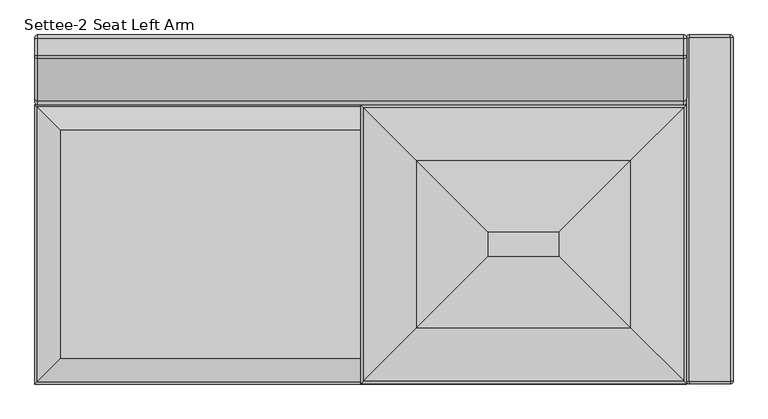
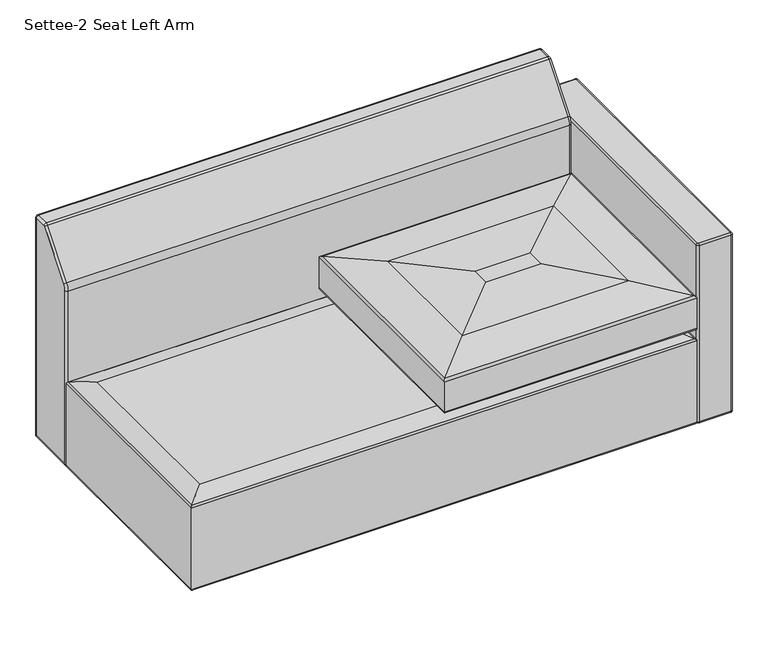
"""IFC4 building model written with IfcOpenShell, lengths in millimetres: furniture geometry, Settee-2 Seat Left Arm."""

from ifc_helpers import new_model, si_unit, point, frame, origin, place, context, project, spatial, circle_curve, ellipse_curve, trimmed, source, transform, mapped, element, save
from ifc_brep_helpers import plane_surface, cylinder_surface, revolved_surface, advanced_brep


def settee_2_seat_left_arm_e11b37b8(model_context):
    return source(origin(), model_context, "Body", "AdvancedBrep", [
        advanced_brep(
        [(0.0, -762.0, 63.5), (6.35, -755.65, 57.15), (1416.05, -755.65, 57.15), (1422.4, -762.0, 63.5), (1422.4, -762.0, 305.4352053), (0.0, -762.0, 305.4352053), (1418.744765, -758.344765, 311.1850523), (3.655235, -758.344765, 311.1850523), (1367.4981467, -707.0981467, 323.8599964), (54.9018533, -707.0981467, 323.8599964), (1416.05, -158.75, 57.15), (1422.4, -152.4, 63.5), (1422.4, -152.4, 305.4352053), (1418.744765, -156.055235, 311.1850523), (1367.4981467, -207.3018533, 323.8599964), (6.35, -158.75, 57.15), (0.0, -152.4, 63.5), (0.0, -152.4, 305.4352053), (3.655235, -156.055235, 311.1850523), (54.9018533, -207.3018533, 323.8599964)],
        [
            (0, 1, ellipse_curve(frame((6.35, -755.65, 63.5), z_axis=(0.7071067811865475, -0.7071067811865475, 0.0), x_axis=(-0.7071067811865476, -0.7071067811865474, 0.0)), 8.9802561, 6.35)),
            (1, 2),
            (2, 3, ellipse_curve(frame((1416.05, -755.65, 63.5), z_axis=(-0.7071067811865475, -0.7071067811865475, 0.0), x_axis=(-0.7071067811865476, 0.7071067811865474, 0.0)), 8.9802561, 6.35)),
            (3, 0),
            (3, 4),
            (4, 5),
            (5, 0),
            (4, 6, ellipse_curve(frame((1416.05, -755.65, 305.4352053), z_axis=(-0.7071067811865475, -0.7071067811865475, 0.0), x_axis=(-0.7071067811865476, 0.7071067811865474, 0.0)), 8.9802561, 6.35)),
            (6, 7),
            (7, 5, ellipse_curve(frame((6.35, -755.65, 305.4352053), z_axis=(0.7071067811865475, -0.7071067811865475, 0.0), x_axis=(-0.7071067811865476, -0.7071067811865474, 0.0)), 8.9802561, 6.35)),
            (6, 8, ellipse_curve(frame((1361.1694749, -700.7694749, 188.3360783), z_axis=(-0.7071067811865475, -0.7071067811865475, 0.0), x_axis=(-0.7071067811865476, 0.7071067811865474, 0.0)), 191.8686241, 135.6716052)),
            (8, 9),
            (9, 7, ellipse_curve(frame((61.2305251, -700.7694749, 188.3360783), z_axis=(0.7071067811865475, -0.7071067811865475, 0.0), x_axis=(-0.7071067811865476, -0.7071067811865474, 0.0)), 191.8686241, 135.6716052)),
            (2, 10),
            (10, 11, ellipse_curve(frame((1416.05, -158.75, 63.5), z_axis=(0.7071067811865475, -0.7071067811865475, 0.0), x_axis=(-0.7071067811865474, -0.7071067811865476, 0.0)), 8.9802561, 6.35)),
            (11, 3),
            (11, 12),
            (12, 4),
            (12, 13, ellipse_curve(frame((1416.05, -158.75, 305.4352053), z_axis=(0.7071067811865475, -0.7071067811865475, 0.0), x_axis=(-0.7071067811865474, -0.7071067811865476, 0.0)), 8.9802561, 6.35)),
            (13, 6),
            (13, 14, ellipse_curve(frame((1361.1694749, -213.6305251, 188.3360783), z_axis=(0.7071067811865475, -0.7071067811865475, 0.0), x_axis=(-0.7071067811865474, -0.7071067811865476, 0.0)), 191.8686241, 135.6716052)),
            (14, 8),
            (10, 15),
            (15, 16, ellipse_curve(frame((6.35, -158.75, 63.5), z_axis=(0.7071067811865475, 0.7071067811865475, 0.0), x_axis=(0.7071067811865476, -0.7071067811865474, 0.0)), 8.9802561, 6.35)),
            (16, 11),
            (16, 17),
            (17, 12),
            (17, 18, ellipse_curve(frame((6.35, -158.75, 305.4352053), z_axis=(0.7071067811865475, 0.7071067811865475, 0.0), x_axis=(0.7071067811865476, -0.7071067811865474, 0.0)), 8.9802561, 6.35)),
            (18, 13),
            (18, 19, ellipse_curve(frame((61.2305251, -213.6305251, 188.3360783), z_axis=(0.7071067811865475, 0.7071067811865475, 0.0), x_axis=(0.7071067811865476, -0.7071067811865474, 0.0)), 191.8686241, 135.6716052)),
            (19, 14),
            (1, 15),
            (0, 16),
            (5, 17),
            (7, 18),
            (9, 19),
        ],
        [
            cylinder_surface(frame((0.0, -755.65, 63.5), z_axis=(-1.0, 0.0, 0.0), x_axis=(0.0, 1.0, 0.0)), 6.35),
            plane_surface(frame((0.0, -762.0, 63.5), z_axis=(0.0, -1.0, 0.0), x_axis=(1.0, 0.0, 0.0))),
            cylinder_surface(frame((0.0, -755.65, 305.4352053), z_axis=(-1.0, 0.0, 0.0), x_axis=(0.0, 1.0, 0.0)), 6.35),
            cylinder_surface(frame((0.0, -700.7694749, 188.3360783), z_axis=(-1.0, 0.0, 0.0), x_axis=(0.0, 1.0, 0.0)), 135.6716052),
            cylinder_surface(frame((1416.05, -762.0, 63.5), z_axis=(0.0, -1.0, 0.0), x_axis=(-1.0, 0.0, 0.0)), 6.35),
            plane_surface(frame((1422.4, -762.0, 63.5), z_axis=(1.0, 0.0, 0.0), x_axis=(0.0, 1.0, 0.0))),
            cylinder_surface(frame((1416.05, -762.0, 305.4352053), z_axis=(0.0, -1.0, 0.0), x_axis=(-1.0, 0.0, 0.0)), 6.35),
            cylinder_surface(frame((1361.1694749, -762.0, 188.3360783), z_axis=(0.0, -1.0, 0.0), x_axis=(-1.0, 0.0, 0.0)), 135.6716052),
            cylinder_surface(frame((1422.4, -158.75, 63.5), z_axis=(1.0, 0.0, 0.0), x_axis=(0.0, -1.0, 0.0)), 6.35),
            plane_surface(frame((1422.4, -152.4, 63.5), z_axis=(0.0, 1.0, 0.0), x_axis=(-1.0, 0.0, 0.0))),
            cylinder_surface(frame((1422.4, -158.75, 305.4352053), z_axis=(1.0, 0.0, 0.0), x_axis=(0.0, -1.0, 0.0)), 6.35),
            cylinder_surface(frame((1422.4, -213.6305251, 188.3360783), z_axis=(1.0, 0.0, 0.0), x_axis=(0.0, -1.0, 0.0)), 135.6716052),
            plane_surface(frame((279.4, -431.8, 57.15), z_axis=(0.0, 0.0, -1.0), x_axis=(0.0, -1.0, 0.0))),
            cylinder_surface(frame((6.35, -152.4, 63.5), z_axis=(0.0, 1.0, 0.0), x_axis=(1.0, 0.0, 0.0)), 6.35),
            plane_surface(frame((0.0, -152.4, 63.5), z_axis=(-1.0, 0.0, 0.0), x_axis=(0.0, -1.0, 0.0))),
            cylinder_surface(frame((6.35, -152.4, 305.4352053), z_axis=(0.0, 1.0, 0.0), x_axis=(1.0, 0.0, 0.0)), 6.35),
            cylinder_surface(frame((61.2305251, -152.4, 188.3360783), z_axis=(0.0, 1.0, 0.0), x_axis=(1.0, 0.0, 0.0)), 135.6716052),
            plane_surface(frame((54.9018533, -207.3018533, 323.8599964), z_axis=(0.0, 0.0, 1.0), x_axis=(0.0, -1.0, 0.0))),
        ],
        [
            (0, [[1, 2, 3, 4]]),
            (1, [[-4, 5, 6, 7]]),
            (2, [[-6, 8, 9, 10]]),
            (3, [[-9, 11, 12, 13]]),
            (4, [[-3, 14, 15, 16]]),
            (5, [[-5, -16, 17, 18]]),
            (6, [[-8, -18, 19, 20]]),
            (7, [[-11, -20, 21, 22]]),
            (8, [[-15, 23, 24, 25]]),
            (9, [[-17, -25, 26, 27]]),
            (10, [[-19, -27, 28, 29]]),
            (11, [[-21, -29, 30, 31]]),
            (12, [[-2, 32, -23, -14]]),
            (13, [[-1, 33, -24, -32]]),
            (14, [[-7, 34, -26, -33]]),
            (15, [[-10, 35, -28, -34]]),
            (16, [[-13, 36, -30, -35]]),
            (17, [[-12, -22, -31, -36]]),
        ],
    ),
        advanced_brep(
        [(1422.4, -6.35, 61.722), (1428.75, 0.0, 61.722), (1428.75, -4.572, 57.15), (1426.972, -6.35, 57.15), (1422.4, -6.35, 585.8632541), (1428.75, 0.0, 585.8632541), (1426.972, -6.35, 590.4352541), (1428.75, -4.572, 590.4352541), (1426.972, -755.526553, 57.15), (1422.4, -755.526553, 61.722), (1422.4, -755.526553, 585.8632541), (1426.972, -755.526553, 590.4352541), (1428.75, -757.304553, 57.15), (1428.75, -761.876553, 61.722), (1428.75, -761.876553, 585.8632541), (1428.75, -757.304553, 590.4352541), (1517.65, -757.304553, 57.15), (1517.65, -761.876553, 61.722), (1517.65, -761.876553, 585.8632541), (1517.65, -757.304553, 590.4352541), (1519.428, -755.526553, 57.15), (1524.0, -755.526553, 61.722), (1524.0, -755.526553, 585.8632541), (1519.428, -755.526553, 590.4352541), (1519.428, -6.35, 57.15), (1524.0, -6.35, 61.722), (1524.0, -6.35, 585.8632541), (1519.428, -6.35, 590.4352541), (1517.65, -4.572, 57.15), (1517.65, 0.0, 61.722), (1517.65, 0.0, 585.8632541), (1517.65, -4.572, 590.4352541)],
        [
            (0, 1, circle_curve(frame((1428.75, -6.35, 61.722), z_axis=(0.0, 0.0, -1.0), x_axis=(0.0, 1.0, 0.0)), 6.35)),
            (1, 2, circle_curve(frame((1428.75, -4.572, 61.722), z_axis=(-1.0, 0.0, 0.0), x_axis=(0.0, -1.0, 0.0)), 4.572)),
            (2, 3, circle_curve(frame((1428.75, -6.35, 57.15), z_axis=(0.0, 0.0, 1.0), x_axis=(0.0, 1.0, 0.0)), 1.778)),
            (3, 0, circle_curve(frame((1426.972, -6.35, 61.722), z_axis=(0.0, 1.0, 0.0), x_axis=(1.0, 0.0, 0.0)), 4.572)),
            (0, 4),
            (4, 5, circle_curve(frame((1428.75, -6.35, 585.8632541), z_axis=(0.0, 0.0, -1.0), x_axis=(0.0, 1.0, 0.0)), 6.35)),
            (5, 1),
            (4, 6, circle_curve(frame((1426.972, -6.35, 585.8632541), z_axis=(0.0, 1.0, 0.0), x_axis=(1.0, 0.0, 0.0)), 4.572)),
            (6, 7, circle_curve(frame((1428.75, -6.35, 590.4352541), z_axis=(0.0, 0.0, -1.0), x_axis=(0.0, 1.0, 0.0)), 1.778)),
            (7, 5, circle_curve(frame((1428.75, -4.572, 585.8632541), z_axis=(-1.0, 0.0, 0.0), x_axis=(0.0, -1.0, 0.0)), 4.572)),
            (3, 8),
            (8, 9, circle_curve(frame((1426.972, -755.526553, 61.722), z_axis=(0.0, 1.0, 0.0), x_axis=(1.0, 0.0, 0.0)), 4.572)),
            (9, 0),
            (9, 10),
            (10, 4),
            (10, 11, circle_curve(frame((1426.972, -755.526553, 585.8632541), z_axis=(0.0, 1.0, 0.0), x_axis=(1.0, 0.0, 0.0)), 4.572)),
            (11, 6),
            (8, 12, circle_curve(frame((1428.75, -755.526553, 57.15), z_axis=(0.0, 0.0, 1.0), x_axis=(-1.0, 0.0, 0.0)), 1.778)),
            (12, 13, circle_curve(frame((1428.75, -757.304553, 61.722), z_axis=(-1.0, 0.0, 0.0), x_axis=(0.0, 1.0, 0.0)), 4.572)),
            (13, 9, circle_curve(frame((1428.75, -755.526553, 61.722), z_axis=(0.0, 0.0, -1.0), x_axis=(-1.0, 0.0, 0.0)), 6.35)),
            (13, 14),
            (14, 10, circle_curve(frame((1428.75, -755.526553, 585.8632541), z_axis=(0.0, 0.0, -1.0), x_axis=(-1.0, 0.0, 0.0)), 6.35)),
            (14, 15, circle_curve(frame((1428.75, -757.304553, 585.8632541), z_axis=(-1.0, 0.0, 0.0), x_axis=(0.0, 1.0, 0.0)), 4.572)),
            (15, 11, circle_curve(frame((1428.75, -755.526553, 590.4352541), z_axis=(0.0, 0.0, -1.0), x_axis=(-1.0, 0.0, 0.0)), 1.778)),
            (12, 16),
            (16, 17, circle_curve(frame((1517.65, -757.304553, 61.722), z_axis=(-1.0, 0.0, 0.0), x_axis=(0.0, 1.0, 0.0)), 4.572)),
            (17, 13),
            (17, 18),
            (18, 14),
            (18, 19, circle_curve(frame((1517.65, -757.304553, 585.8632541), z_axis=(-1.0, 0.0, 0.0), x_axis=(0.0, 1.0, 0.0)), 4.572)),
            (19, 15),
            (16, 20, circle_curve(frame((1517.65, -755.526553, 57.15), z_axis=(0.0, 0.0, 1.0), x_axis=(0.0, -1.0, 0.0)), 1.778)),
            (20, 21, circle_curve(frame((1519.428, -755.526553, 61.722), z_axis=(0.0, -1.0, 0.0), x_axis=(-1.0, 0.0, 0.0)), 4.572)),
            (21, 17, circle_curve(frame((1517.65, -755.526553, 61.722), z_axis=(0.0, 0.0, -1.0), x_axis=(0.0, -1.0, 0.0)), 6.35)),
            (21, 22),
            (22, 18, circle_curve(frame((1517.65, -755.526553, 585.8632541), z_axis=(0.0, 0.0, -1.0), x_axis=(0.0, -1.0, 0.0)), 6.35)),
            (22, 23, circle_curve(frame((1519.428, -755.526553, 585.8632541), z_axis=(0.0, -1.0, 0.0), x_axis=(-1.0, 0.0, 0.0)), 4.572)),
            (23, 19, circle_curve(frame((1517.65, -755.526553, 590.4352541), z_axis=(0.0, 0.0, -1.0), x_axis=(0.0, -1.0, 0.0)), 1.778)),
            (20, 24),
            (24, 25, circle_curve(frame((1519.428, -6.35, 61.722), z_axis=(0.0, -1.0, 0.0), x_axis=(-1.0, 0.0, 0.0)), 4.572)),
            (25, 21),
            (25, 26),
            (26, 22),
            (26, 27, circle_curve(frame((1519.428, -6.35, 585.8632541), z_axis=(0.0, -1.0, 0.0), x_axis=(-1.0, 0.0, 0.0)), 4.572)),
            (27, 23),
            (24, 28, circle_curve(frame((1517.65, -6.35, 57.15), z_axis=(0.0, 0.0, 1.0), x_axis=(1.0, 0.0, 0.0)), 1.778)),
            (28, 29, circle_curve(frame((1517.65, -4.572, 61.722), z_axis=(1.0, 0.0, 0.0), x_axis=(0.0, -1.0, 0.0)), 4.572)),
            (29, 25, circle_curve(frame((1517.65, -6.35, 61.722), z_axis=(0.0, 0.0, -1.0), x_axis=(1.0, 0.0, 0.0)), 6.35)),
            (29, 30),
            (30, 26, circle_curve(frame((1517.65, -6.35, 585.8632541), z_axis=(0.0, 0.0, -1.0), x_axis=(1.0, 0.0, 0.0)), 6.35)),
            (30, 31, circle_curve(frame((1517.65, -4.572, 585.8632541), z_axis=(1.0, 0.0, 0.0), x_axis=(0.0, -1.0, 0.0)), 4.572)),
            (31, 27, circle_curve(frame((1517.65, -6.35, 590.4352541), z_axis=(0.0, 0.0, -1.0), x_axis=(1.0, 0.0, 0.0)), 1.778)),
            (2, 28),
            (1, 29),
            (5, 30),
            (7, 31),
        ],
        [
            revolved_surface(trimmed(ellipse_curve(frame((1428.75, -4.572, 61.722), z_axis=(1.0, 0.0, 0.0), x_axis=(0.0, -1.0, 0.0)), 4.572, 4.572), [point((1428.75, -4.572, 57.15))], [point((1428.75, 0.0, 61.722))], True, "CARTESIAN"), (1428.75, -6.35, 0.0), (0.0, 0.0, 1.0)),
            cylinder_surface(frame((1428.75, -6.35, 0.0), z_axis=(0.0, 0.0, 1.0), x_axis=(0.0, 1.0, 0.0)), 6.35),
            revolved_surface(trimmed(ellipse_curve(frame((1428.75, -4.572, 585.8632541), z_axis=(1.0, 0.0, 0.0), x_axis=(0.0, -1.0, 0.0)), 4.572, 4.572), [point((1428.75, 0.0, 585.8632541))], [point((1428.75, -4.572, 590.4352541))], True, "CARTESIAN"), (1428.75, -6.35, 0.0), (0.0, 0.0, 1.0)),
            cylinder_surface(frame((1426.972, -6.35, 61.722), z_axis=(0.0, 1.0, 0.0), x_axis=(1.0, 0.0, 0.0)), 4.572),
            plane_surface(frame((1422.4, -6.35, 61.722), z_axis=(-1.0, 0.0, 0.0), x_axis=(0.0, -1.0, 0.0))),
            cylinder_surface(frame((1426.972, -6.35, 585.8632541), z_axis=(0.0, 1.0, 0.0), x_axis=(1.0, 0.0, 0.0)), 4.572),
            revolved_surface(trimmed(ellipse_curve(frame((1426.972, -755.526553, 61.722), z_axis=(0.0, 1.0, 0.0), x_axis=(1.0, 0.0, 0.0)), 4.572, 4.572), [point((1426.972, -755.526553, 57.15))], [point((1422.4, -755.526553, 61.722))], True, "CARTESIAN"), (1428.75, -755.526553, 0.0), (0.0, 0.0, 1.0)),
            cylinder_surface(frame((1428.75, -755.526553, 0.0), z_axis=(0.0, 0.0, 1.0), x_axis=(-1.0, 0.0, 0.0)), 6.35),
            revolved_surface(trimmed(ellipse_curve(frame((1426.972, -755.526553, 585.8632541), z_axis=(0.0, 1.0, 0.0), x_axis=(1.0, 0.0, 0.0)), 4.572, 4.572), [point((1422.4, -755.526553, 585.8632541))], [point((1426.972, -755.526553, 590.4352541))], True, "CARTESIAN"), (1428.75, -755.526553, 0.0), (0.0, 0.0, 1.0)),
            cylinder_surface(frame((1428.75, -757.304553, 61.722), z_axis=(-1.0, 0.0, 0.0), x_axis=(0.0, 1.0, 0.0)), 4.572),
            plane_surface(frame((1428.75, -761.876553, 61.722), z_axis=(0.0, -1.0, 0.0), x_axis=(1.0, 0.0, 0.0))),
            cylinder_surface(frame((1428.75, -757.304553, 585.8632541), z_axis=(-1.0, 0.0, 0.0), x_axis=(0.0, 1.0, 0.0)), 4.572),
            revolved_surface(trimmed(ellipse_curve(frame((1517.65, -757.304553, 61.722), z_axis=(-1.0, 0.0, 0.0), x_axis=(0.0, 1.0, 0.0)), 4.572, 4.572), [point((1517.65, -757.304553, 57.15))], [point((1517.65, -761.876553, 61.722))], True, "CARTESIAN"), (1517.65, -755.526553, 0.0), (0.0, 0.0, 1.0)),
            cylinder_surface(frame((1517.65, -755.526553, 0.0), z_axis=(0.0, 0.0, 1.0), x_axis=(0.0, -1.0, 0.0)), 6.35),
            revolved_surface(trimmed(ellipse_curve(frame((1517.65, -757.304553, 585.8632541), z_axis=(-1.0, 0.0, 0.0), x_axis=(0.0, 1.0, 0.0)), 4.572, 4.572), [point((1517.65, -761.876553, 585.8632541))], [point((1517.65, -757.304553, 590.4352541))], True, "CARTESIAN"), (1517.65, -755.526553, 0.0), (0.0, 0.0, 1.0)),
            cylinder_surface(frame((1519.428, -755.526553, 61.722), z_axis=(0.0, -1.0, 0.0), x_axis=(-1.0, 0.0, 0.0)), 4.572),
            plane_surface(frame((1524.0, -755.526553, 61.722), z_axis=(1.0, 0.0, 0.0), x_axis=(0.0, 1.0, 0.0))),
            cylinder_surface(frame((1519.428, -755.526553, 585.8632541), z_axis=(0.0, -1.0, 0.0), x_axis=(-1.0, 0.0, 0.0)), 4.572),
            revolved_surface(trimmed(ellipse_curve(frame((1519.428, -6.35, 61.722), z_axis=(0.0, -1.0, 0.0), x_axis=(-1.0, 0.0, 0.0)), 4.572, 4.572), [point((1519.428, -6.35, 57.15))], [point((1524.0, -6.35, 61.722))], True, "CARTESIAN"), (1517.65, -6.35, 0.0), (0.0, 0.0, 1.0)),
            cylinder_surface(frame((1517.65, -6.35, 0.0), z_axis=(0.0, 0.0, 1.0), x_axis=(1.0, 0.0, 0.0)), 6.35),
            revolved_surface(trimmed(ellipse_curve(frame((1519.428, -6.35, 585.8632541), z_axis=(0.0, -1.0, 0.0), x_axis=(-1.0, 0.0, 0.0)), 4.572, 4.572), [point((1524.0, -6.35, 585.8632541))], [point((1519.428, -6.35, 590.4352541))], True, "CARTESIAN"), (1517.65, -6.35, 0.0), (0.0, 0.0, 1.0)),
            plane_surface(frame((1517.65, -5.588, 57.15), z_axis=(0.0, 0.0, -1.0), x_axis=(-1.0, 0.0, 0.0))),
            cylinder_surface(frame((1517.65, -4.572, 61.722), z_axis=(1.0, 0.0, 0.0), x_axis=(0.0, -1.0, 0.0)), 4.572),
            plane_surface(frame((1517.65, 0.0, 61.722), z_axis=(0.0, 1.0, 0.0), x_axis=(-1.0, 0.0, 0.0))),
            cylinder_surface(frame((1517.65, -4.572, 585.8632541), z_axis=(1.0, 0.0, 0.0), x_axis=(0.0, -1.0, 0.0)), 4.572),
            plane_surface(frame((1517.65, -4.572, 590.4352541), z_axis=(0.0, 0.0, 1.0), x_axis=(-1.0, 0.0, 0.0))),
        ],
        [
            (0, [[1, 2, 3, 4]]),
            (1, [[-1, 5, 6, 7]]),
            (2, [[-6, 8, 9, 10]]),
            (3, [[-4, 11, 12, 13]]),
            (4, [[-5, -13, 14, 15]]),
            (5, [[-8, -15, 16, 17]]),
            (6, [[-12, 18, 19, 20]]),
            (7, [[-14, -20, 21, 22]]),
            (8, [[-16, -22, 23, 24]]),
            (9, [[-19, 25, 26, 27]]),
            (10, [[-21, -27, 28, 29]]),
            (11, [[-23, -29, 30, 31]]),
            (12, [[-26, 32, 33, 34]]),
            (13, [[-28, -34, 35, 36]]),
            (14, [[-30, -36, 37, 38]]),
            (15, [[-33, 39, 40, 41]]),
            (16, [[-35, -41, 42, 43]]),
            (17, [[-37, -43, 44, 45]]),
            (18, [[-40, 46, 47, 48]]),
            (19, [[-42, -48, 49, 50]]),
            (20, [[-44, -50, 51, 52]]),
            (21, [[-3, 53, -46, -39, -32, -25, -18, -11]]),
            (22, [[-2, 54, -47, -53]]),
            (23, [[-7, 55, -49, -54]]),
            (24, [[-10, 56, -51, -55]]),
            (25, [[-9, -17, -24, -31, -38, -45, -52, -56]]),
        ],
    ),
        advanced_brep(
        [(714.8589271, -758.2176259, 336.5161259), (766.1018533, -706.9746997, 323.8599964), (1367.4981467, -706.9746997, 323.8599964), (1418.7410729, -758.2176259, 336.5161259), (1422.4, -761.876553, 342.2677019), (711.2, -761.876553, 342.2677019), (1422.4, -761.876553, 431.6520878), (711.2, -761.876553, 431.6520878), (1416.8617206, -756.3382736, 437.949993), (716.7382794, -756.3382736, 437.949993), (1300.8501341, -640.326687, 452.9024246), (832.7498659, -640.326687, 452.9024246), (1144.999776, -484.476329, 462.9046302), (988.600224, -484.476329, 462.9046302), (1367.4981467, -207.3018533, 323.8599964), (1418.7410729, -156.0589271, 336.5161259), (1422.4, -152.4, 342.2677019), (1422.4, -152.4, 431.6520878), (1416.8617206, -157.9382794, 437.949993), (1300.8501341, -273.9498659, 452.9024246), (1144.999776, -429.800224, 462.9046302), (766.1018533, -207.3018533, 323.8599964), (714.8589271, -156.0589271, 336.5161259), (711.2, -152.4, 342.2677019), (711.2, -152.4, 431.6520878), (716.7382794, -157.9382794, 437.949993), (832.7498659, -273.9498659, 452.9024246), (988.600224, -429.800224, 462.9046302)],
        [
            (0, 1, ellipse_curve(frame((772.4373178, -700.6392352, 459.5772619), z_axis=(0.7071067811865475, -0.7071067811865475, 0.0), x_axis=(-0.7071067811865476, -0.7071067811865474, 0.0)), 192.1422091, 135.865059)),
            (1, 2),
            (2, 3, ellipse_curve(frame((1361.1626822, -700.6392352, 459.5772619), z_axis=(-0.7071067811865475, -0.7071067811865475, 0.0), x_axis=(-0.7071067811865476, 0.7071067811865474, 0.0)), 192.1422091, 135.865059)),
            (3, 0),
            (3, 4, ellipse_curve(frame((1416.05, -755.526553, 342.2677019), z_axis=(-0.7071067811865475, -0.7071067811865475, 0.0), x_axis=(-0.7071067811865476, 0.7071067811865474, 0.0)), 8.9802561, 6.35)),
            (4, 5),
            (5, 0, ellipse_curve(frame((717.55, -755.526553, 342.2677019), z_axis=(0.7071067811865475, -0.7071067811865475, 0.0), x_axis=(-0.7071067811865476, -0.7071067811865474, 0.0)), 8.9802561, 6.35)),
            (4, 6),
            (6, 7),
            (7, 5),
            (6, 8, ellipse_curve(frame((1416.05, -755.526553, 431.6520878), z_axis=(-0.7071067811865475, -0.7071067811865475, 0.0), x_axis=(-0.7071067811865476, 0.7071067811865474, 0.0)), 8.9802561, 6.35)),
            (8, 9),
            (9, 7, ellipse_curve(frame((717.55, -755.526553, 431.6520878), z_axis=(0.7071067811865475, -0.7071067811865475, 0.0), x_axis=(-0.7071067811865476, -0.7071067811865474, 0.0)), 8.9802561, 6.35)),
            (8, 10),
            (10, 11),
            (11, 9),
            (10, 12, ellipse_curve(frame((1144.999776, -484.476329, -756.2953698), z_axis=(-0.7071067811865475, -0.7071067811865475, 0.0), x_axis=(-0.7071067811865476, 0.7071067811865474, 0.0)), 1724.2091752, 1219.2)),
            (12, 13),
            (13, 11, ellipse_curve(frame((988.600224, -484.476329, -756.2953698), z_axis=(0.7071067811865475, -0.7071067811865475, 0.0), x_axis=(-0.7071067811865476, -0.7071067811865474, 0.0)), 1724.2091752, 1219.2)),
            (2, 14),
            (14, 15, ellipse_curve(frame((1361.1626822, -213.6373178, 459.5772619), z_axis=(0.7071067811865475, -0.7071067811865475, 0.0), x_axis=(-0.7071067811865474, -0.7071067811865476, 0.0)), 192.1422091, 135.865059)),
            (15, 3),
            (15, 16, ellipse_curve(frame((1416.05, -158.75, 342.2677019), z_axis=(0.7071067811865475, -0.7071067811865475, 0.0), x_axis=(-0.7071067811865474, -0.7071067811865476, 0.0)), 8.9802561, 6.35)),
            (16, 4),
            (16, 17),
            (17, 6),
            (17, 18, ellipse_curve(frame((1416.05, -158.75, 431.6520878), z_axis=(0.7071067811865475, -0.7071067811865475, 0.0), x_axis=(-0.7071067811865474, -0.7071067811865476, 0.0)), 8.9802561, 6.35)),
            (18, 8),
            (18, 19),
            (19, 10),
            (19, 20, ellipse_curve(frame((1144.999776, -429.800224, -756.2953698), z_axis=(0.7071067811865475, -0.7071067811865475, 0.0), x_axis=(-0.7071067811865474, -0.7071067811865476, 0.0)), 1724.2091752, 1219.2)),
            (20, 12),
            (14, 21),
            (21, 22, ellipse_curve(frame((772.4373178, -213.6373178, 459.5772619), z_axis=(0.7071067811865475, 0.7071067811865475, 0.0), x_axis=(0.7071067811865476, -0.7071067811865474, 0.0)), 192.1422091, 135.865059)),
            (22, 15),
            (22, 23, ellipse_curve(frame((717.55, -158.75, 342.2677019), z_axis=(0.7071067811865475, 0.7071067811865475, 0.0), x_axis=(0.7071067811865476, -0.7071067811865474, 0.0)), 8.9802561, 6.35)),
            (23, 16),
            (23, 24),
            (24, 17),
            (24, 25, ellipse_curve(frame((717.55, -158.75, 431.6520878), z_axis=(0.7071067811865475, 0.7071067811865475, 0.0), x_axis=(0.7071067811865476, -0.7071067811865474, 0.0)), 8.9802561, 6.35)),
            (25, 18),
            (25, 26),
            (26, 19),
            (26, 27, ellipse_curve(frame((988.600224, -429.800224, -756.2953698), z_axis=(0.7071067811865475, 0.7071067811865475, 0.0), x_axis=(0.7071067811865476, -0.7071067811865474, 0.0)), 1724.2091752, 1219.2)),
            (27, 20),
            (1, 21),
            (0, 22),
            (5, 23),
            (7, 24),
            (9, 25),
            (11, 26),
            (13, 27),
        ],
        [
            cylinder_surface(frame((711.2, -700.6392352, 459.5772619), z_axis=(-1.0, 0.0, 0.0), x_axis=(0.0, 1.0, 0.0)), 135.865059),
            cylinder_surface(frame((711.2, -755.526553, 342.2677019), z_axis=(-1.0, 0.0, 0.0), x_axis=(0.0, 1.0, 0.0)), 6.35),
            plane_surface(frame((711.2, -761.876553, 342.2677019), z_axis=(0.0, -1.0, 0.0), x_axis=(1.0, 0.0, 0.0))),
            cylinder_surface(frame((711.2, -755.526553, 431.6520878), z_axis=(-1.0, 0.0, 0.0), x_axis=(0.0, 1.0, 0.0)), 6.35),
            plane_surface(frame((716.7382794, -756.3382736, 437.949993), z_axis=(0.0, -0.12783001807990294, 0.9917960911788731), x_axis=(1.0, 0.0, 0.0))),
            cylinder_surface(frame((711.2, -484.476329, -756.2953698), z_axis=(-1.0, 0.0, 0.0), x_axis=(0.0, 1.0, 0.0)), 1219.2),
            cylinder_surface(frame((1361.1626822, -761.876553, 459.5772619), z_axis=(0.0, -1.0, 0.0), x_axis=(-1.0, 0.0, 0.0)), 135.865059),
            cylinder_surface(frame((1416.05, -761.876553, 342.2677019), z_axis=(0.0, -1.0, 0.0), x_axis=(-1.0, 0.0, 0.0)), 6.35),
            plane_surface(frame((1422.4, -761.876553, 342.2677019), z_axis=(1.0, 0.0, 0.0), x_axis=(0.0, 1.0, 0.0))),
            cylinder_surface(frame((1416.05, -761.876553, 431.6520878), z_axis=(0.0, -1.0, 0.0), x_axis=(-1.0, 0.0, 0.0)), 6.35),
            plane_surface(frame((1416.8617206, -756.3382736, 437.949993), z_axis=(0.12783001807990294, 0.0, 0.9917960911788731), x_axis=(0.0, 1.0, 0.0))),
            cylinder_surface(frame((1144.999776, -761.876553, -756.2953698), z_axis=(0.0, -1.0, 0.0), x_axis=(-1.0, 0.0, 0.0)), 1219.2),
            cylinder_surface(frame((1422.4, -213.6373178, 459.5772619), z_axis=(1.0, 0.0, 0.0), x_axis=(0.0, -1.0, 0.0)), 135.865059),
            cylinder_surface(frame((1422.4, -158.75, 342.2677019), z_axis=(1.0, 0.0, 0.0), x_axis=(0.0, -1.0, 0.0)), 6.35),
            plane_surface(frame((1422.4, -152.4, 342.2677019), z_axis=(0.0, 1.0, 0.0), x_axis=(-1.0, 0.0, 0.0))),
            cylinder_surface(frame((1422.4, -158.75, 431.6520878), z_axis=(1.0, 0.0, 0.0), x_axis=(0.0, -1.0, 0.0)), 6.35),
            plane_surface(frame((1416.8617206, -157.9382794, 437.949993), z_axis=(0.0, 0.12783001807990294, 0.9917960911788731), x_axis=(-1.0, 0.0, 0.0))),
            cylinder_surface(frame((1422.4, -429.800224, -756.2953698), z_axis=(1.0, 0.0, 0.0), x_axis=(0.0, -1.0, 0.0)), 1219.2),
            plane_surface(frame((990.6, -431.8, 323.8599964), z_axis=(0.0, 0.0, -1.0), x_axis=(0.0, -1.0, 0.0))),
            cylinder_surface(frame((772.4373178, -152.4, 459.5772619), z_axis=(0.0, 1.0, 0.0), x_axis=(1.0, 0.0, 0.0)), 135.865059),
            cylinder_surface(frame((717.55, -152.4, 342.2677019), z_axis=(0.0, 1.0, 0.0), x_axis=(1.0, 0.0, 0.0)), 6.35),
            plane_surface(frame((711.2, -152.4, 342.2677019), z_axis=(-1.0, 0.0, 0.0), x_axis=(0.0, -1.0, 0.0))),
            cylinder_surface(frame((717.55, -152.4, 431.6520878), z_axis=(0.0, 1.0, 0.0), x_axis=(1.0, 0.0, 0.0)), 6.35),
            plane_surface(frame((716.7382794, -157.9382794, 437.949993), z_axis=(-0.12783001807990294, 0.0, 0.9917960911788731), x_axis=(0.0, -1.0, 0.0))),
            cylinder_surface(frame((988.600224, -152.4, -756.2953698), z_axis=(0.0, 1.0, 0.0), x_axis=(1.0, 0.0, 0.0)), 1219.2),
            plane_surface(frame((988.600224, -429.800224, 462.9046302), z_axis=(0.0, 0.0, 1.0), x_axis=(0.0, -1.0, 0.0))),
        ],
        [
            (0, [[1, 2, 3, 4]]),
            (1, [[-4, 5, 6, 7]]),
            (2, [[-6, 8, 9, 10]]),
            (3, [[-9, 11, 12, 13]]),
            (4, [[-12, 14, 15, 16]]),
            (5, [[-15, 17, 18, 19]]),
            (6, [[-3, 20, 21, 22]]),
            (7, [[-5, -22, 23, 24]]),
            (8, [[-8, -24, 25, 26]]),
            (9, [[-11, -26, 27, 28]]),
            (10, [[-14, -28, 29, 30]]),
            (11, [[-17, -30, 31, 32]]),
            (12, [[-21, 33, 34, 35]]),
            (13, [[-23, -35, 36, 37]]),
            (14, [[-25, -37, 38, 39]]),
            (15, [[-27, -39, 40, 41]]),
            (16, [[-29, -41, 42, 43]]),
            (17, [[-31, -43, 44, 45]]),
            (18, [[-2, 46, -33, -20]]),
            (19, [[-1, 47, -34, -46]]),
            (20, [[-7, 48, -36, -47]]),
            (21, [[-10, 49, -38, -48]]),
            (22, [[-13, 50, -40, -49]]),
            (23, [[-16, 51, -42, -50]]),
            (24, [[-19, 52, -44, -51]]),
            (25, [[-18, -32, -45, -52]]),
        ],
    ),
        advanced_brep(
        [(1416.304, 0.0, 57.15), (1422.4, -6.096, 63.246), (1422.4, -146.304, 63.246), (1416.304, -152.4, 57.15), (6.35, -152.4, 57.15), (6.35, 0.0, 57.15), (0.0, -146.05, 63.5), (0.0, -6.35, 63.5), (1422.4, -146.304, 578.4232783), (1416.304, -152.4, 578.4232783), (6.35, -152.4, 578.4232783), (0.0, -146.05, 578.4232783), (1422.4, -140.3398991, 595.322521), (1416.304, -145.0855366, 599.1487647), (6.35, -145.0855366, 599.1487647), (0.0, -140.1421642, 595.1630942), (1422.4, -47.690711, 710.2340389), (1416.304, -52.4363486, 714.0602825), (6.35, -52.4363486, 714.0602825), (0.0, -47.4929761, 710.0746121), (1422.4, -45.5156272, 711.2743439), (1416.304, -45.5156272, 717.3703439), (6.35, -45.5156272, 717.3703439), (0.0, -45.5156272, 711.0203439), (1422.4, -8.89, 711.2743439), (1416.304, -8.89, 717.3703439), (6.35, -8.89, 717.3703439), (0.0, -8.89, 711.0203439), (1422.4, -6.096, 708.4803439), (1416.304, 0.0, 708.4803439), (6.35, 0.0, 708.4803439), (0.0, -6.35, 708.4803439)],
        [
            (0, 1, ellipse_curve(frame((1416.304, -6.096, 63.246), z_axis=(0.0, -0.7071067811865475, -0.7071067811865475), x_axis=(0.0, 0.7071067811865476, -0.7071067811865474)), 8.6210459, 6.096)),
            (1, 2),
            (2, 3, ellipse_curve(frame((1416.304, -146.304, 63.246), z_axis=(0.0, 0.7071067811865475, -0.7071067811865475), x_axis=(0.0, 0.7071067811865476, 0.7071067811865474)), 8.6210459, 6.096)),
            (3, 0),
            (3, 4),
            (4, 5),
            (5, 0),
            (4, 6, ellipse_curve(frame((6.35, -146.05, 63.5), z_axis=(0.0, 0.7071067811865475, -0.7071067811865475), x_axis=(0.0, 0.7071067811865476, 0.7071067811865474)), 8.9802561, 6.35)),
            (6, 7),
            (7, 5, ellipse_curve(frame((6.35, -6.35, 63.5), z_axis=(0.0, -0.7071067811865475, -0.7071067811865475), x_axis=(0.0, 0.7071067811865476, -0.7071067811865474)), 8.9802561, 6.35)),
            (2, 8),
            (8, 9, circle_curve(frame((1416.304, -146.304, 578.4232783), z_axis=(0.0, 0.0, -1.0), x_axis=(1.0, 0.0, 0.0)), 6.096)),
            (9, 3),
            (9, 10),
            (10, 4),
            (10, 11, circle_curve(frame((6.35, -146.05, 578.4232783), z_axis=(0.0, 0.0, -1.0), x_axis=(1.0, 0.0, 0.0)), 6.35)),
            (11, 6),
            (8, 12, circle_curve(frame((1422.4, -119.38, 578.4232783), z_axis=(-1.0, 0.0, 0.0), x_axis=(0.0, -1.0, 0.0)), 26.924)),
            (12, 13, circle_curve(frame((1416.304, -140.3398991, 595.322521), z_axis=(0.0, -0.6276646390690117, -0.7784838475282371), x_axis=(1.0, 0.0, 0.0)), 6.096)),
            (13, 9, circle_curve(frame((1416.304, -119.38, 578.4232783), z_axis=(1.0, 0.0, 0.0), x_axis=(0.0, -1.0, 0.0)), 33.02)),
            (13, 14),
            (14, 10, circle_curve(frame((6.35, -119.38, 578.4232783), z_axis=(1.0, 0.0, 0.0), x_axis=(0.0, -1.0, 0.0)), 33.02)),
            (14, 15, circle_curve(frame((6.35, -140.1421642, 595.1630942), z_axis=(0.0, -0.627664639069012, -0.7784838475282367), x_axis=(1.0, 0.0, 0.0)), 6.35)),
            (15, 11, circle_curve(frame((0.0, -119.38, 578.4232783), z_axis=(1.0, 0.0, 0.0), x_axis=(0.0, -1.0, 0.0)), 26.67)),
            (12, 16),
            (16, 17, circle_curve(frame((1416.304, -47.690711, 710.2340389), z_axis=(0.0, -0.6276646390690127, -0.7784838475282361), x_axis=(1.0, 0.0, 0.0)), 6.096)),
            (17, 13),
            (17, 18),
            (18, 14),
            (18, 19, circle_curve(frame((6.35, -47.4929761, 710.0746121), z_axis=(0.0, -0.6276646390690127, -0.7784838475282361), x_axis=(1.0, 0.0, 0.0)), 6.35)),
            (19, 15),
            (16, 20, circle_curve(frame((1422.4, -45.5156272, 708.4803439), z_axis=(-1.0, 0.0, 0.0), x_axis=(0.0, -0.7784838475282333, 0.6276646390690163)), 2.794)),
            (20, 21, circle_curve(frame((1416.304, -45.5156272, 711.2743439), z_axis=(0.0, -1.0, 0.0), x_axis=(1.0, 0.0, 0.0)), 6.096)),
            (21, 17, circle_curve(frame((1416.304, -45.5156272, 708.4803439), z_axis=(1.0, 0.0, 0.0), x_axis=(0.0, -0.7784838475282333, 0.6276646390690163)), 8.89)),
            (21, 22),
            (22, 18, circle_curve(frame((6.35, -45.5156272, 708.4803439), z_axis=(1.0, 0.0, 0.0), x_axis=(0.0, -0.7784838475282333, 0.6276646390690163)), 8.89)),
            (22, 23, circle_curve(frame((6.35, -45.5156272, 711.0203439), z_axis=(0.0, -1.0, 0.0), x_axis=(1.0, 0.0, 0.0)), 6.35)),
            (23, 19, circle_curve(frame((0.0, -45.5156272, 708.4803439), z_axis=(1.0, 0.0, 0.0), x_axis=(0.0, -0.7784838475282333, 0.6276646390690163)), 2.54)),
            (20, 24),
            (24, 25, circle_curve(frame((1416.304, -8.89, 711.2743439), z_axis=(0.0, -1.0, 0.0), x_axis=(1.0, 0.0, 0.0)), 6.096)),
            (25, 21),
            (25, 26),
            (26, 22),
            (26, 27, circle_curve(frame((6.35, -8.89, 711.0203439), z_axis=(0.0, -1.0, 0.0), x_axis=(1.0, 0.0, 0.0)), 6.35)),
            (27, 23),
            (24, 28, circle_curve(frame((1422.4, -8.89, 708.4803439), z_axis=(-1.0, 0.0, 0.0), x_axis=(0.0, 0.0, 1.0)), 2.794)),
            (28, 29, circle_curve(frame((1416.304, -6.096, 708.4803439), z_axis=(0.0, 0.0, 1.0), x_axis=(1.0, 0.0, 0.0)), 6.096)),
            (29, 25, circle_curve(frame((1416.304, -8.89, 708.4803439), z_axis=(1.0, 0.0, 0.0), x_axis=(0.0, 0.0, 1.0)), 8.89)),
            (29, 30),
            (30, 26, circle_curve(frame((6.35, -8.89, 708.4803439), z_axis=(1.0, 0.0, 0.0), x_axis=(0.0, 0.0, 1.0)), 8.89)),
            (30, 31, circle_curve(frame((6.35, -6.35, 708.4803439), z_axis=(0.0, -1.2836627458265103e-12, 1.0), x_axis=(1.0, 0.0, 0.0)), 6.35)),
            (31, 27, circle_curve(frame((0.0, -8.89, 708.4803439), z_axis=(1.0, 0.0, 0.0), x_axis=(0.0, 0.0, 1.0)), 2.54)),
            (1, 28),
            (0, 29),
            (5, 30),
            (7, 31),
        ],
        [
            cylinder_surface(frame((1416.304, -7.62, 63.246), z_axis=(0.0, 1.0, 0.0), x_axis=(1.0, 0.0, 0.0)), 6.096),
            plane_surface(frame((1416.304, 0.0, 57.15), z_axis=(0.0, 0.0, -1.0), x_axis=(0.0, -1.0, 0.0))),
            cylinder_surface(frame((6.35, -7.62, 63.5), z_axis=(0.0, 1.0, 0.0), x_axis=(1.0, 0.0, 0.0)), 6.35),
            cylinder_surface(frame((1416.304, -146.304, 64.77), z_axis=(0.0, 0.0, -1.0), x_axis=(1.0, 0.0, 0.0)), 6.096),
            plane_surface(frame((1416.304, -152.4, 57.15), z_axis=(0.0, -1.0, 0.0), x_axis=(0.0, 0.0, 1.0))),
            cylinder_surface(frame((6.35, -146.05, 64.77), z_axis=(0.0, 0.0, -1.0), x_axis=(1.0, 0.0, 0.0)), 6.35),
            revolved_surface(trimmed(ellipse_curve(frame((1416.304, -146.304, 578.4232783), z_axis=(0.0, 0.0, -1.0), x_axis=(1.0, 0.0, 0.0)), 6.096, 6.096), [point((1422.4, -146.304, 578.4232783))], [point((1416.304, -152.4, 578.4232783))], True, "CARTESIAN"), (0.0, -119.38, 578.4232783), (-1.0, 0.0, 0.0)),
            cylinder_surface(frame((0.0, -119.38, 578.4232783), z_axis=(-1.0, 0.0, 0.0), x_axis=(0.0, -1.0, 0.0)), 33.02),
            revolved_surface(trimmed(ellipse_curve(frame((6.35, -146.05, 578.4232783), z_axis=(0.0, 0.0, -1.0), x_axis=(1.0, 0.0, 0.0)), 6.35, 6.35), [point((6.35, -152.4, 578.4232783))], [point((0.0, -146.05, 578.4232783))], True, "CARTESIAN"), (0.0, -119.38, 578.4232783), (-1.0, 0.0, 0.0)),
            cylinder_surface(frame((1416.304, -140.3398991, 595.322521), z_axis=(0.0, -0.6276646390690127, -0.7784838475282361), x_axis=(1.0, 0.0, 0.0)), 6.096),
            plane_surface(frame((1416.304, -145.0855366, 599.1487647), z_axis=(0.0, -0.7784838475282359, 0.6276646390690132), x_axis=(0.0, 0.6276646390690132, 0.7784838475282359))),
            cylinder_surface(frame((6.35, -140.1421642, 595.1630942), z_axis=(0.0, -0.6276646390690127, -0.7784838475282361), x_axis=(1.0, 0.0, 0.0)), 6.35),
            revolved_surface(trimmed(ellipse_curve(frame((1416.304, -47.690711, 710.2340389), z_axis=(0.0, -0.6276646390690163, -0.7784838475282333), x_axis=(1.0, 0.0, 0.0)), 6.096, 6.096), [point((1422.4, -47.690711, 710.2340389))], [point((1416.304, -52.4363486, 714.0602825))], True, "CARTESIAN"), (0.0, -45.5156272, 708.4803439), (-1.0, 0.0, 0.0)),
            cylinder_surface(frame((0.0, -45.5156272, 708.4803439), z_axis=(-1.0, 0.0, 0.0), x_axis=(0.0, -0.7784838475282333, 0.6276646390690163)), 8.89),
            revolved_surface(trimmed(ellipse_curve(frame((6.35, -47.4929761, 710.0746121), z_axis=(0.0, -0.6276646390690163, -0.7784838475282333), x_axis=(1.0, 0.0, 0.0)), 6.35, 6.35), [point((6.35, -52.4363486, 714.0602825))], [point((0.0, -47.4929761, 710.0746121))], True, "CARTESIAN"), (0.0, -45.5156272, 708.4803439), (-1.0, 0.0, 0.0)),
            cylinder_surface(frame((1416.304, -45.5156272, 711.2743439), z_axis=(0.0, -1.0, 0.0), x_axis=(1.0, 0.0, 0.0)), 6.096),
            plane_surface(frame((1416.304, -45.5156272, 717.3703439), z_axis=(0.0, 0.0, 1.0), x_axis=(0.0, 1.0, 0.0))),
            cylinder_surface(frame((6.35, -45.5156272, 711.0203439), z_axis=(0.0, -1.0, 0.0), x_axis=(1.0, 0.0, 0.0)), 6.35),
            revolved_surface(trimmed(ellipse_curve(frame((1416.304, -8.89, 711.2743439), z_axis=(0.0, -1.0, 0.0), x_axis=(1.0, 0.0, 0.0)), 6.096, 6.096), [point((1422.4, -8.89, 711.2743439))], [point((1416.304, -8.89, 717.3703439))], True, "CARTESIAN"), (0.0, -8.89, 708.4803439), (-1.0, 0.0, 0.0)),
            cylinder_surface(frame((0.0, -8.89, 708.4803439), z_axis=(-1.0, 0.0, 0.0), x_axis=(0.0, 0.0, 1.0)), 8.89),
            revolved_surface(trimmed(ellipse_curve(frame((6.35, -8.89, 711.0203439), z_axis=(0.0, -1.0, 0.0), x_axis=(1.0, 0.0, 0.0)), 6.35, 6.35), [point((6.35, -8.89, 717.3703439))], [point((0.0, -8.89, 711.0203439))], True, "CARTESIAN"), (0.0, -8.89, 708.4803439), (-1.0, 0.0, 0.0)),
            plane_surface(frame((1422.4, -7.62, 708.4803439), z_axis=(1.0, 0.0, 0.0), x_axis=(0.0, 0.0, -1.0))),
            cylinder_surface(frame((1416.304, -6.096, 708.4803439), z_axis=(0.0, 0.0, 1.0), x_axis=(1.0, 0.0, 0.0)), 6.096),
            plane_surface(frame((1416.304, 0.0, 708.4803439), z_axis=(0.0, 1.0, 0.0), x_axis=(0.0, 0.0, -1.0))),
            cylinder_surface(frame((6.35, -6.35, 708.4803439), z_axis=(0.0, 0.0, 1.0), x_axis=(1.0, 0.0, 0.0)), 6.35),
            plane_surface(frame((0.0, -6.35, 708.4803439), z_axis=(-1.0, 0.0, 0.0), x_axis=(0.0, 0.0, -1.0))),
        ],
        [
            (0, [[1, 2, 3, 4]]),
            (1, [[-4, 5, 6, 7]]),
            (2, [[-6, 8, 9, 10]]),
            (3, [[-3, 11, 12, 13]]),
            (4, [[-5, -13, 14, 15]]),
            (5, [[-8, -15, 16, 17]]),
            (6, [[-12, 18, 19, 20]]),
            (7, [[-14, -20, 21, 22]]),
            (8, [[-16, -22, 23, 24]]),
            (9, [[-19, 25, 26, 27]]),
            (10, [[-21, -27, 28, 29]]),
            (11, [[-23, -29, 30, 31]]),
            (12, [[-26, 32, 33, 34]]),
            (13, [[-28, -34, 35, 36]]),
            (14, [[-30, -36, 37, 38]]),
            (15, [[-33, 39, 40, 41]]),
            (16, [[-35, -41, 42, 43]]),
            (17, [[-37, -43, 44, 45]]),
            (18, [[-40, 46, 47, 48]]),
            (19, [[-42, -48, 49, 50]]),
            (20, [[-44, -50, 51, 52]]),
            (21, [[-2, 53, -46, -39, -32, -25, -18, -11]]),
            (22, [[-1, 54, -47, -53]]),
            (23, [[-7, 55, -49, -54]]),
            (24, [[-10, 56, -51, -55]]),
            (25, [[-9, -17, -24, -31, -38, -45, -52, -56]]),
        ],
    ),
        advanced_brep(
        [(76.2, -101.600003, 57.15), (127.0, -101.600003, 57.15), (76.2, -101.600003, 6.35), (127.0, -101.600003, 6.35), (88.9, -101.600003, 6.35), (114.3, -101.600003, 6.35), (88.9, -101.600003, 0.0), (114.3, -101.600003, 0.0)],
        [
            (0, 1, circle_curve(frame((101.6, -101.600003, 57.15), z_axis=(0.0, 0.0, 1.0), x_axis=(1.0, 0.0, 0.0)), 25.4)),
            (1, 0, circle_curve(frame((101.6, -101.600003, 57.15), z_axis=(0.0, 0.0, 1.0), x_axis=(1.0, 0.0, 0.0)), 25.4)),
            (2, 3, circle_curve(frame((101.6, -101.600003, 6.35), z_axis=(0.0, 0.0, -1.0), x_axis=(1.0, 0.0, 0.0)), 25.4)),
            (3, 2, circle_curve(frame((101.6, -101.600003, 6.35), z_axis=(0.0, 0.0, -1.0), x_axis=(1.0, 0.0, 0.0)), 25.4)),
            (4, 5, circle_curve(frame((101.6, -101.600003, 6.35), z_axis=(0.0, 0.0, 1.0), x_axis=(1.0, 0.0, 0.0)), 12.7)),
            (5, 4, circle_curve(frame((101.6, -101.600003, 6.35), z_axis=(0.0, 0.0, 1.0), x_axis=(1.0, 0.0, 0.0)), 12.7)),
            (0, 2),
            (3, 1),
            (6, 7, circle_curve(frame((101.6, -101.600003, 0.0), z_axis=(0.0, 0.0, -1.0), x_axis=(1.0, 0.0, 0.0)), 12.7)),
            (7, 6, circle_curve(frame((101.6, -101.600003, 0.0), z_axis=(0.0, 0.0, -1.0), x_axis=(1.0, 0.0, 0.0)), 12.7)),
            (7, 5),
            (4, 6),
        ],
        [
            plane_surface(frame((127.0, -101.600003, 57.15), z_axis=(0.0, 0.0, 1.0), x_axis=(0.0, 1.0, 0.0))),
            plane_surface(frame((127.0, -101.600003, 6.35), z_axis=(0.0, 0.0, -1.0), x_axis=(0.0, -1.0, 0.0))),
            cylinder_surface(frame((101.6, -101.600003, 6.35), z_axis=(0.0, 0.0, 1.0), x_axis=(1.0, 0.0, 0.0)), 25.4),
            plane_surface(frame((114.3, -101.600003, 0.0), z_axis=(0.0, 0.0, -1.0), x_axis=(0.0, -1.0, 0.0))),
            cylinder_surface(frame((101.6, -101.600003, 0.0), z_axis=(0.0, 0.0, 1.0), x_axis=(1.0, 0.0, 0.0)), 12.7),
        ],
        [
            (0, [[1, 2]]),
            (1, [[3, 4], [5, 6]]),
            (2, [[-1, 7, -4, 8]]),
            (2, [[-2, -8, -3, -7]]),
            (3, [[9, 10]]),
            (4, [[-10, 11, -5, 12]]),
            (4, [[-9, -12, -6, -11]]),
        ],
    ),
        advanced_brep(
        [(76.2, -660.3999879, 57.15), (127.0, -660.3999879, 57.15), (76.2, -660.3999879, 6.35), (127.0, -660.3999879, 6.35), (88.9, -660.3999879, 6.35), (114.3, -660.3999879, 6.35), (88.9, -660.3999879, 0.0), (114.3, -660.3999879, 0.0)],
        [
            (0, 1, circle_curve(frame((101.6, -660.3999879, 57.15), z_axis=(0.0, 0.0, 1.0), x_axis=(1.0, 0.0, 0.0)), 25.4)),
            (1, 0, circle_curve(frame((101.6, -660.3999879, 57.15), z_axis=(0.0, 0.0, 1.0), x_axis=(1.0, 0.0, 0.0)), 25.4)),
            (2, 3, circle_curve(frame((101.6, -660.3999879, 6.35), z_axis=(0.0, 0.0, -1.0), x_axis=(1.0, 0.0, 0.0)), 25.4)),
            (3, 2, circle_curve(frame((101.6, -660.3999879, 6.35), z_axis=(0.0, 0.0, -1.0), x_axis=(1.0, 0.0, 0.0)), 25.4)),
            (4, 5, circle_curve(frame((101.6, -660.3999879, 6.35), z_axis=(0.0, 0.0, 1.0), x_axis=(1.0, 0.0, 0.0)), 12.7)),
            (5, 4, circle_curve(frame((101.6, -660.3999879, 6.35), z_axis=(0.0, 0.0, 1.0), x_axis=(1.0, 0.0, 0.0)), 12.7)),
            (6, 7, circle_curve(frame((101.6, -660.3999879, 0.0), z_axis=(0.0, 0.0, -1.0), x_axis=(1.0, 0.0, 0.0)), 12.7)),
            (7, 6, circle_curve(frame((101.6, -660.3999879, 0.0), z_axis=(0.0, 0.0, -1.0), x_axis=(1.0, 0.0, 0.0)), 12.7)),
            (7, 5),
            (4, 6),
            (0, 2),
            (3, 1),
        ],
        [
            plane_surface(frame((127.0, -101.600003, 57.15), z_axis=(0.0, 0.0, 1.0), x_axis=(0.0, 1.0, 0.0))),
            plane_surface(frame((127.0, -101.600003, 6.35), z_axis=(0.0, 0.0, -1.0), x_axis=(0.0, -1.0, 0.0))),
            plane_surface(frame((114.3, -101.600003, 0.0), z_axis=(0.0, 0.0, -1.0), x_axis=(0.0, -1.0, 0.0))),
            cylinder_surface(frame((101.6, -660.3999879, 0.0), z_axis=(0.0, 0.0, 1.0), x_axis=(1.0, 0.0, 0.0)), 12.7),
            cylinder_surface(frame((101.6, -660.3999879, 0.0), z_axis=(0.0, 0.0, 1.0), x_axis=(1.0, 0.0, 0.0)), 25.4),
        ],
        [
            (0, [[1, 2]]),
            (1, [[3, 4], [5, 6]]),
            (2, [[7, 8]]),
            (3, [[-8, 9, -5, 10]]),
            (3, [[-7, -10, -6, -9]]),
            (4, [[-1, 11, -4, 12]]),
            (4, [[-2, -12, -3, -11]]),
        ],
    ),
        advanced_brep(
        [(1295.4, -101.600003, 57.15), (1346.2, -101.600003, 57.15), (1295.4, -101.600003, 6.35), (1346.2, -101.600003, 6.35), (1308.1, -101.600003, 6.35), (1333.5, -101.600003, 6.35), (1308.1, -101.600003, 0.0), (1333.5, -101.600003, 0.0)],
        [
            (0, 1, circle_curve(frame((1320.8, -101.600003, 57.15), z_axis=(0.0, 0.0, 1.0), x_axis=(1.0, 0.0, 0.0)), 25.4)),
            (1, 0, circle_curve(frame((1320.8, -101.600003, 57.15), z_axis=(0.0, 0.0, 1.0), x_axis=(1.0, 0.0, 0.0)), 25.4)),
            (2, 3, circle_curve(frame((1320.8, -101.600003, 6.35), z_axis=(0.0, 0.0, -1.0), x_axis=(1.0, 0.0, 0.0)), 25.4)),
            (3, 2, circle_curve(frame((1320.8, -101.600003, 6.35), z_axis=(0.0, 0.0, -1.0), x_axis=(1.0, 0.0, 0.0)), 25.4)),
            (4, 5, circle_curve(frame((1320.8, -101.600003, 6.35), z_axis=(0.0, 0.0, 1.0), x_axis=(1.0, 0.0, 0.0)), 12.7)),
            (5, 4, circle_curve(frame((1320.8, -101.600003, 6.35), z_axis=(0.0, 0.0, 1.0), x_axis=(1.0, 0.0, 0.0)), 12.7)),
            (6, 7, circle_curve(frame((1320.8, -101.600003, 0.0), z_axis=(0.0, 0.0, -1.0), x_axis=(1.0, 0.0, 0.0)), 12.7)),
            (7, 6, circle_curve(frame((1320.8, -101.600003, 0.0), z_axis=(0.0, 0.0, -1.0), x_axis=(1.0, 0.0, 0.0)), 12.7)),
            (7, 5),
            (4, 6),
            (0, 2),
            (3, 1),
        ],
        [
            plane_surface(frame((127.0, -101.600003, 57.15), z_axis=(0.0, 0.0, 1.0), x_axis=(0.0, 1.0, 0.0))),
            plane_surface(frame((127.0, -101.600003, 6.35), z_axis=(0.0, 0.0, -1.0), x_axis=(0.0, -1.0, 0.0))),
            plane_surface(frame((114.3, -101.600003, 0.0), z_axis=(0.0, 0.0, -1.0), x_axis=(0.0, -1.0, 0.0))),
            cylinder_surface(frame((1320.8, -101.600003, 0.0), z_axis=(0.0, 0.0, 1.0), x_axis=(1.0, 0.0, 0.0)), 12.7),
            cylinder_surface(frame((1320.8, -101.600003, 0.0), z_axis=(0.0, 0.0, 1.0), x_axis=(1.0, 0.0, 0.0)), 25.4),
        ],
        [
            (0, [[1, 2]]),
            (1, [[3, 4], [5, 6]]),
            (2, [[7, 8]]),
            (3, [[-8, 9, -5, 10]]),
            (3, [[-7, -10, -6, -9]]),
            (4, [[-1, 11, -4, 12]]),
            (4, [[-2, -12, -3, -11]]),
        ],
    ),
        advanced_brep(
        [(1295.4, -660.3999879, 57.15), (1346.2, -660.3999879, 57.15), (1295.4, -660.3999879, 6.35), (1346.2, -660.3999879, 6.35), (1308.1, -660.3999879, 6.35), (1333.5, -660.3999879, 6.35), (1308.1, -660.3999879, 0.0), (1333.5, -660.3999879, 0.0)],
        [
            (0, 1, circle_curve(frame((1320.8, -660.3999879, 57.15), z_axis=(0.0, 0.0, 1.0), x_axis=(1.0, 0.0, 0.0)), 25.4)),
            (1, 0, circle_curve(frame((1320.8, -660.3999879, 57.15), z_axis=(0.0, 0.0, 1.0), x_axis=(1.0, 0.0, 0.0)), 25.4)),
            (2, 3, circle_curve(frame((1320.8, -660.3999879, 6.35), z_axis=(0.0, 0.0, -1.0), x_axis=(1.0, 0.0, 0.0)), 25.4)),
            (3, 2, circle_curve(frame((1320.8, -660.3999879, 6.35), z_axis=(0.0, 0.0, -1.0), x_axis=(1.0, 0.0, 0.0)), 25.4)),
            (4, 5, circle_curve(frame((1320.8, -660.3999879, 6.35), z_axis=(0.0, 0.0, 1.0), x_axis=(1.0, 0.0, 0.0)), 12.7)),
            (5, 4, circle_curve(frame((1320.8, -660.3999879, 6.35), z_axis=(0.0, 0.0, 1.0), x_axis=(1.0, 0.0, 0.0)), 12.7)),
            (6, 7, circle_curve(frame((1320.8, -660.3999879, 0.0), z_axis=(0.0, 0.0, -1.0), x_axis=(1.0, 0.0, 0.0)), 12.7)),
            (7, 6, circle_curve(frame((1320.8, -660.3999879, 0.0), z_axis=(0.0, 0.0, -1.0), x_axis=(1.0, 0.0, 0.0)), 12.7)),
            (7, 5),
            (4, 6),
            (0, 2),
            (3, 1),
        ],
        [
            plane_surface(frame((127.0, -101.600003, 57.15), z_axis=(0.0, 0.0, 1.0), x_axis=(0.0, 1.0, 0.0))),
            plane_surface(frame((127.0, -101.600003, 6.35), z_axis=(0.0, 0.0, -1.0), x_axis=(0.0, -1.0, 0.0))),
            plane_surface(frame((114.3, -101.600003, 0.0), z_axis=(0.0, 0.0, -1.0), x_axis=(0.0, -1.0, 0.0))),
            cylinder_surface(frame((1320.8, -660.3999879, 0.0), z_axis=(0.0, 0.0, 1.0), x_axis=(1.0, 0.0, 0.0)), 12.7),
            cylinder_surface(frame((1320.8, -660.3999879, 0.0), z_axis=(0.0, 0.0, 1.0), x_axis=(1.0, 0.0, 0.0)), 25.4),
        ],
        [
            (0, [[1, 2]]),
            (1, [[3, 4], [5, 6]]),
            (2, [[7, 8]]),
            (3, [[-8, 9, -5, 10]]),
            (3, [[-7, -10, -6, -9]]),
            (4, [[-1, 11, -4, 12]]),
            (4, [[-2, -12, -3, -11]]),
        ],
    ),
    ])


if __name__ == "__main__":
    model = new_model("IFC4")
    model_context = context("Model", 3, world=origin())
    ifc_project = project(units=[si_unit("LENGTHUNIT", "METRE", prefix="MILLI")], contexts=[model_context])
    site = spatial("IfcSite", under=ifc_project)
    building = spatial("IfcBuilding", under=site)
    placement = place(None, origin())
    settee_2_seat_left_arm_shape = settee_2_seat_left_arm_e11b37b8(model_context)
    element("IfcFurniture", 1, ObjectType="Settee-2 Seat Left Arm", at=placement, inside=building, context=model_context, shape_type="MappedRepresentation", body=[
        mapped(settee_2_seat_left_arm_shape, transform((0.0, 0.0, 0.0), x_axis=(1.0, 0.0, 0.0), y_axis=(0.0, 1.0, 0.0), z_axis=(0.0, 0.0, 1.0))),
    ])
    save(model, "model.ifc")
